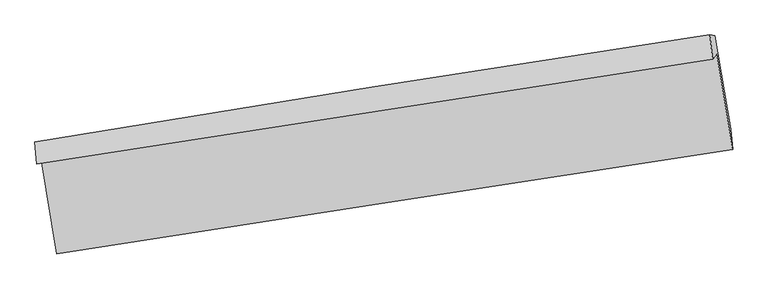
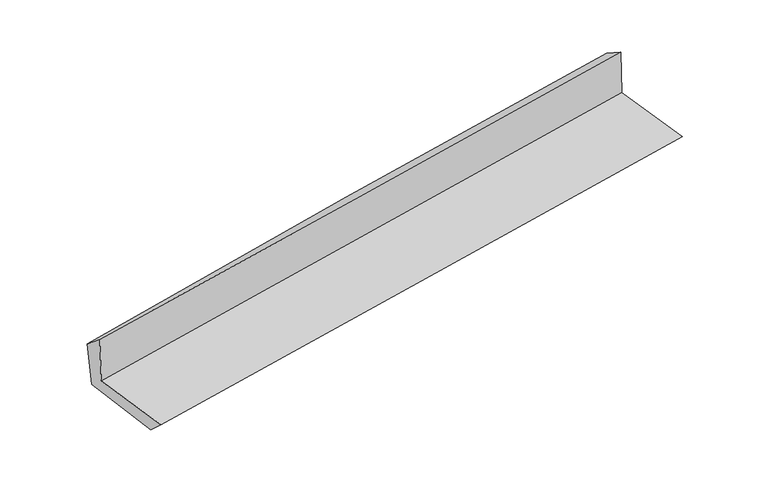
"""IFC4 building model written with IfcOpenShell, lengths in millimetres: proxy geometry."""

from ifc_helpers import new_model, si_unit, frame, origin, place, context, project, spatial, source, transform, mapped, element, save
from ifc_brep_helpers import plane_surface, spline_curve, spline_surface, advanced_brep


def generic_models_562a9a25(model_context):
    return source(origin(), model_context, "Body", "AdvancedBrep", [
        advanced_brep(
        [(-2389.7328775, -1859.7302746, 1686.5993344), (-2281.2198983, -2519.2562285, 1667.2751549), (2446.2815987, -1788.6846884, 2086.516261), (2335.3274725, -1121.2445298, 2105.9757643), (-2420.8463608, -1891.710342, 2082.0024917), (2306.2753913, -1158.4902214, 2488.5909956), (-2433.8980175, -1737.0620403, 1951.5020656), (2287.6497772, -987.0996352, 2386.1753742), (-2400.1042056, -1741.1274232, 1590.4575925), (2322.4132692, -991.2721717, 2015.1327532), (-2290.3893634, -2396.5612011, 1550.8218321), (2433.2186411, -1646.5285189, 1975.5971197)],
        [
            (0, 1),
            (1, 2, spline_curve(3, [(-2281.2198983, -2519.2562285, 1667.2751549), (-1493.155909356, -2397.428268037, 1735.022557018), (-705.168356674, -2275.633774241, 1803.832751782), (870.665477906, -2032.109926514, 1943.579755848), (1658.511757415, -1910.380573629, 2014.516596249), (2446.2815987, -1788.6846884, 2086.516261)], [4, 2, 4], [0.0, 7.8762027807236565, 15.752521532944648])),
            (2, 3),
            (3, 0, spline_curve(3, [(2335.3274725, -1121.2445298, 2105.9757643), (1547.566927634, -1241.553485349, 2034.036870862), (759.928727959, -1363.248905172, 1963.119138474), (-815.091384917, -1609.410860761, 1823.327025488), (-1602.473302211, -1733.877356083, 1754.452614474), (-2389.7328775, -1859.7302746, 1686.5993344)], [4, 2, 4], [0.0, 7.876318752220992, 15.752521532944648])),
            (4, 0),
            (3, 5),
            (5, 4, spline_curve(3, [(2306.2753913, -1158.4902214, 2488.5909956), (1518.845531453, -1279.678902349, 2414.519550338), (731.200887472, -1401.375373041, 2343.601226217), (-844.506369772, -1645.782094814, 2208.071817962), (-1632.568976028, -1768.49233083, 2143.460640739), (-2420.8463608, -1891.710342, 2082.0024917)], [4, 2, 4], [0.0, 7.875473692650053, 15.750831426245492])),
            (6, 4),
            (5, 7),
            (7, 6, spline_curve(3, [(2287.6497772, -987.0996352, 2386.1753742), (1499.394876708, -1105.480918259, 2316.794381086), (711.802218713, -1227.168911063, 2245.880831), (-862.047026892, -1477.156476906, 2100.989682902), (-1648.303633461, -1605.455952281, 2027.012130303), (-2433.8980175, -1737.0620403, 1951.5020656)], [4, 2, 4], [0.0, 7.875169183879147, 15.750222413187288])),
            (8, 6),
            (7, 9),
            (9, 8, spline_curve(3, [(2322.4132692, -991.2721717, 2015.1327532), (1534.307394336, -1109.673367429, 1944.084209069), (746.708440298, -1231.362386936, 1873.170080668), (-827.464036497, -1481.314234495, 1731.611697697), (-1614.037574041, -1609.576965051, 1660.967439236), (-2400.1042056, -1741.1274232, 1590.4575925)], [4, 2, 4], [0.0, 7.874940311135713, 15.74976467107036])),
            (10, 8),
            (9, 11),
            (11, 10, spline_curve(3, [(2433.2186411, -1646.5285189, 1975.5971197), (1644.885408461, -1764.966859516, 1904.527694174), (857.081897846, -1886.689237758, 1833.59478097), (-717.454087969, -2136.700228639, 1692.003022641), (-1504.186578872, -2264.988744415, 1621.344173123), (-2290.3893634, -2396.5612011, 1550.8218321)], [4, 2, 4], [0.0, 7.875884679811285, 15.751653394516548])),
            (1, 10),
            (11, 2),
        ],
        [
            spline_surface(3, 3, [[(-2389.7328775, -1859.7302746, 1686.5993344), (-1602.473302118, -1733.877356019, 1754.452614365), (-815.091385021, -1609.410860841, 1823.327025361), (759.928728062, -1363.248905092, 1963.119138602), (1547.566927593, -1241.553485311, 2034.036870881), (2335.3274725, -1121.2445298, 2105.9757643)], [(-2353.561884432, -2079.572259251, 1680.157941228), (-1566.034171214, -1955.060993403, 1747.975928551), (-778.450375574, -1831.485165313, 1816.828934157), (796.840978009, -1586.202578915, 1956.606011008), (1584.548537545, -1464.495848118, 2027.530112697), (2372.312181213, -1343.724582662, 2099.489263185)], [(-2317.390891368, -2299.414243849, 1673.716548072), (-1529.595040315, -2176.244630736, 1741.499242753), (-741.809366122, -2053.559469754, 1810.330842983), (833.753227961, -1809.156252707, 1950.092883444), (1621.530147556, -1687.438210938, 2021.023354557), (2409.296889987, -1566.204635538, 2093.002762115)], [(-2281.2198983, -2519.2562285, 1667.2751549), (-1493.155909412, -2397.428268121, 1735.02255694), (-705.168356675, -2275.633774225, 1803.83275178), (870.665477907, -2032.10992653, 1943.57975585), (1658.511757508, -1910.380573745, 2014.516596373), (2446.2815987, -1788.6846884, 2086.516261)]], [4, 4], [4, 2, 4], [0.0, 2.2207333623511243], [0.0, 7.8762027807236565, 15.752521532944648]),
            spline_surface(3, 3, [[(-2420.8463608, -1891.710342, 2082.0024917), (-1632.568976148, -1768.492330936, 2143.460640698), (-844.506369662, -1645.78209485, 2208.071817869), (731.200887362, -1401.375373005, 2343.601226311), (1518.845531579, -1279.678902274, 2414.51955045), (2306.2753913, -1158.4902214, 2488.5909956)], [(-2410.475199727, -1881.05031951, 1950.201439263), (-1622.537084831, -1756.95400594, 2013.791298583), (-834.701374797, -1633.658350186, 2079.823553699), (740.776834246, -1388.666550373, 2216.773863741), (1528.419330244, -1266.970429967, 2287.691990607), (2315.95941836, -1146.07499088, 2361.05258518)], [(-2400.104038573, -1870.39029709, 1818.400386837), (-1612.505193434, -1745.415681015, 1884.12195648), (-824.896379885, -1621.534605505, 1951.57528953), (750.352781178, -1375.957727724, 2089.946501172), (1537.993128928, -1254.261957619, 2160.864430725), (2325.64344544, -1133.65976032, 2233.51417472)], [(-2389.7328775, -1859.7302746, 1686.5993344), (-1602.473302118, -1733.877356019, 1754.452614365), (-815.091385021, -1609.410860841, 1823.327025361), (759.928728062, -1363.248905092, 1963.119138602), (1547.566927593, -1241.553485311, 2034.036870881), (2335.3274725, -1121.2445298, 2105.9757643)]], [4, 4], [4, 2, 4], [0.0, 1.2648292888192696], [0.0, 7.875357733595439, 15.750831426245492]),
            spline_surface(3, 3, [[(-2433.8980175, -1737.0620403, 1951.5020656), (-1648.303633458, -1605.455952252, 2027.012130282), (-862.047026793, -1477.156476858, 2100.989682956), (711.802218615, -1227.168911111, 2245.880830946), (1499.394876831, -1105.480918147, 2316.794381154), (2287.6497772, -987.0996352, 2386.1753742)], [(-2429.547465249, -1788.611474218, 1995.002207634), (-1643.058747671, -1659.801411832, 2065.828300422), (-856.200141076, -1533.365016169, 2136.68372793), (718.268441537, -1285.237731723, 2278.454296071), (1505.87842842, -1163.546912853, 2349.36943759), (2293.85831524, -1044.229830597, 2420.313914671)], [(-2425.196913051, -1840.160908082, 2038.502349666), (-1637.813861935, -1714.146871356, 2104.644470558), (-850.353255379, -1589.573555539, 2172.377772895), (724.734664439, -1343.306552393, 2311.027761186), (1512.361979989, -1221.612907568, 2381.944494013), (2300.06685326, -1101.360026003, 2454.452455129)], [(-2420.8463608, -1891.710342, 2082.0024917), (-1632.568976148, -1768.492330936, 2143.460640698), (-844.506369662, -1645.78209485, 2208.071817869), (731.200887362, -1401.375373005, 2343.601226311), (1518.845531579, -1279.678902274, 2414.51955045), (2306.2753913, -1158.4902214, 2488.5909956)]], [4, 4], [4, 2, 4], [0.0, 0.6578931288321772], [0.0, 7.875053229308141, 15.750222413187288]),
            spline_surface(3, 3, [[(-2400.1042056, -1741.1274232, 1590.4575925), (-1614.037574048, -1609.576965182, 1660.967439217), (-827.464036438, -1481.314234376, 1731.611697718), (746.708440239, -1231.362387055, 1873.170080648), (1534.307394219, -1109.673367364, 1944.08420907), (2322.4132692, -991.2721717, 2015.1327532)], [(-2411.368809562, -1739.772295555, 1710.8057502), (-1625.459593847, -1608.203294194, 1782.982336238), (-838.991699897, -1479.928315203, 1854.737692777), (735.073033025, -1229.96456174, 1997.406997394), (1522.669888431, -1108.275884278, 2068.320933101), (2310.825438542, -989.881326186, 2138.81362687)], [(-2422.633413538, -1738.417167945, 1831.1539079), (-1636.881613659, -1606.82962324, 1904.99723326), (-850.519363335, -1478.542396031, 1977.863687897), (723.437625829, -1228.566736426, 2121.6439142), (1511.032382619, -1106.878401233, 2192.557657122), (2299.237607858, -988.490480714, 2262.49450053)], [(-2433.8980175, -1737.0620403, 1951.5020656), (-1648.303633458, -1605.455952252, 2027.012130282), (-862.047026793, -1477.156476858, 2100.989682956), (711.802218615, -1227.168911111, 2245.880830946), (1499.394876831, -1105.480918147, 2316.794381154), (2287.6497772, -987.0996352, 2386.1753742)]], [4, 4], [4, 2, 4], [0.0, 1.2227394270285177], [0.0, 7.874824359934646, 15.74976467107036]),
            spline_surface(3, 3, [[(-2290.3893634, -2396.5612011, 1550.8218321), (-1504.186578791, -2264.988744426, 1621.344173054), (-717.454088021, -2136.700228586, 1692.003022555), (857.081897899, -1886.68923781, 1833.594781056), (1644.88540859, -1764.966859586, 1904.527694113), (2433.2186411, -1646.5285189, 1975.5971197)], [(-2326.960977471, -2178.08327513, 1564.03375222), (-1540.803577215, -2046.518151341, 1634.551928428), (-754.124070835, -1918.238230529, 1705.20591428), (820.290745338, -1668.246954238, 1846.786547591), (1608.026070448, -1546.535695508, 1917.713199087), (2396.283517115, -1428.109736497, 1988.775664188)], [(-2363.532591529, -1959.60534917, 1577.24567238), (-1577.420575624, -1828.047558267, 1647.759683842), (-790.794053625, -1699.776232433, 1718.408805993), (783.4995928, -1449.804670627, 1859.978314113), (1571.166732361, -1328.104531441, 1930.898704096), (2359.348393185, -1209.690954103, 2001.954208712)], [(-2400.1042056, -1741.1274232, 1590.4575925), (-1614.037574048, -1609.576965182, 1660.967439217), (-827.464036438, -1481.314234376, 1731.611697718), (746.708440239, -1231.362387055, 1873.170080648), (1534.307394219, -1109.673367364, 1944.08420907), (2322.4132692, -991.2721717, 2015.1327532)]], [4, 4], [4, 2, 4], [0.0, 2.184166712425594], [0.0, 7.875768714705264, 15.751653394516548]),
            spline_surface(3, 3, [[(-2281.2198983, -2519.2562285, 1667.2751549), (-1493.155909412, -2397.428268121, 1735.02255694), (-705.168356675, -2275.633774225, 1803.83275178), (870.665477907, -2032.10992653, 1943.57975585), (1658.511757508, -1910.380573745, 2014.516596373), (2446.2815987, -1788.6846884, 2086.516261)], [(-2284.276386658, -2478.357886036, 1628.457380654), (-1496.832799197, -2353.281760225, 1697.129762332), (-709.263600432, -2229.322592337, 1766.556175395), (866.137617929, -1983.636363615, 1906.918097609), (1653.969641232, -1861.909335703, 1977.853628959), (2441.92727953, -1741.299298577, 2049.543213906)], [(-2287.332875042, -2437.459543564, 1589.639606346), (-1500.509689006, -2309.135252322, 1659.236967661), (-713.358844264, -2183.011410475, 1729.27959894), (861.609757877, -1935.162800726, 1870.256439298), (1649.427524867, -1813.438097628, 1941.190661527), (2437.57296027, -1693.913908723, 2012.570166794)], [(-2290.3893634, -2396.5612011, 1550.8218321), (-1504.186578791, -2264.988744426, 1621.344173054), (-717.454088021, -2136.700228586, 1692.003022555), (857.081897899, -1886.68923781, 1833.594781056), (1644.88540859, -1764.966859586, 1904.527694113), (2433.2186411, -1646.5285189, 1975.5971197)]], [4, 4], [4, 2, 4], [0.0, 0.5931164165909767], [0.0, 7.8768860346812035, 15.753888050920171]),
            plane_surface(frame((2355.1943583, -1282.2199609, 2176.331378), z_axis=(0.9828567427667149, 0.1607563702461659, 0.09027742034020196), x_axis=(-0.09327699766464496, 0.011195701557616169, 0.9955772486217745))),
            plane_surface(frame((-2369.3651205, -2024.2412516, 1754.7764119), z_axis=(-0.9831286670890236, -0.15911217980892578, -0.0902293643123563), x_axis=(-0.16228119393408255, 0.9863212679471521, 0.02889931643570155))),
        ],
        [
            (0, [[1, 2, 3, 4]]),
            (1, [[5, -4, 6, 7]]),
            (2, [[8, -7, 9, 10]]),
            (3, [[11, -10, 12, 13]]),
            (4, [[14, -13, 15, 16]]),
            (5, [[17, -16, 18, -2]]),
            (6, [[-12, -9, -6, -3, -18, -15]]),
            (7, [[-1, -5, -8, -11, -14, -17]]),
        ],
    ),
    ])


if __name__ == "__main__":
    model = new_model("IFC4")
    model_context = context("Model", 3, world=origin())
    ifc_project = project(units=[si_unit("LENGTHUNIT", "METRE", prefix="MILLI")], contexts=[model_context])
    site = spatial("IfcSite", under=ifc_project)
    building = spatial("IfcBuilding", under=site)
    placement = place(None, origin())
    generic_models_shape = generic_models_562a9a25(model_context)
    element("IfcBuildingElementProxy", 1, Name="Generic Models", at=placement, inside=building, context=model_context, shape_type="MappedRepresentation", body=[
        mapped(generic_models_shape, transform((0.0, 0.0, 0.0), x_axis=(1.0, 0.0, 0.0), y_axis=(0.0, 1.0, 0.0), z_axis=(0.0, 0.0, 1.0))),
    ])
    save(model, "model.ifc")
